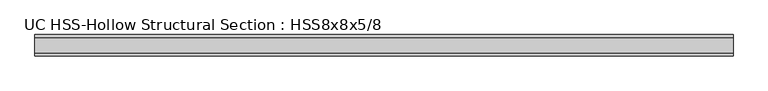
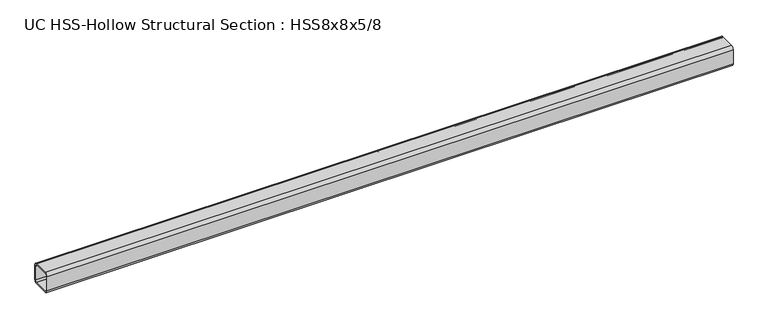
"""IFC4 building model written with IfcOpenShell, lengths in millimetres: beam geometry, UC HSS-Hollow Structural Section : HSS8x8x5/8."""

from ifc_helpers import new_model, si_unit, point, frame, frame_2d, origin, place, context, project, spatial, polyline, circle_curve, trimmed, segment, composite_curve, outline, extrude, source, transform, mapped, element, save


def uc_hss_hollow_structural_section_hss8x8x5_8_4352175e(model_context):
    return source(origin(), model_context, "Body", "SweptSolid", [
        extrude(outline(composite_curve([segment(polyline([(101.6, 72.0852), (101.6, -72.0852)]), True, "CONTINUOUS"), segment(trimmed(circle_curve(frame_2d((72.0852, -72.0852)), 29.5148), [point((101.6, -72.0852))], [point((72.0852, -101.6))], False, "CARTESIAN"), True, "CONTINUOUS"), segment(polyline([(72.0852, -101.6), (-72.0852, -101.6)]), True, "CONTINUOUS"), segment(trimmed(circle_curve(frame_2d((-72.0852, -72.0852)), 29.5148), [point((-72.0852, -101.6))], [point((-101.6, -72.0852))], False, "CARTESIAN"), True, "CONTINUOUS"), segment(polyline([(-101.6, -72.0852), (-101.6, 72.0852)]), True, "CONTINUOUS"), segment(trimmed(circle_curve(frame_2d((-72.0852, 72.0852)), 29.5148), [point((-101.6, 72.0852))], [point((-72.0852, 101.6))], False, "CARTESIAN"), True, "CONTINUOUS"), segment(polyline([(-72.0852, 101.6), (72.0852, 101.6)]), True, "CONTINUOUS"), segment(trimmed(circle_curve(frame_2d((72.0852, 72.0852)), 29.5148), [point((72.0852, 101.6))], [point((101.6, 72.0852))], False, "CARTESIAN"), True, "CONTINUOUS")], self_intersect=False), holes=[composite_curve([segment(trimmed(circle_curve(frame_2d((-72.0852, 72.0852)), 14.7574), [point((-72.0852, 86.8426))], [point((-86.8426, 72.0852))], True, "CARTESIAN"), True, "CONTINUOUS"), segment(polyline([(-86.8426, 72.0852), (-86.8426, -72.0852)]), True, "CONTINUOUS"), segment(trimmed(circle_curve(frame_2d((-72.0852, -72.0852)), 14.7574), [point((-86.8426, -72.0852))], [point((-72.0852, -86.8426))], True, "CARTESIAN"), True, "CONTINUOUS"), segment(polyline([(-72.0852, -86.8426), (72.0852, -86.8426)]), True, "CONTINUOUS"), segment(trimmed(circle_curve(frame_2d((72.0852, -72.0852)), 14.7574), [point((72.0852, -86.8426))], [point((86.8426, -72.0852))], True, "CARTESIAN"), True, "CONTINUOUS"), segment(polyline([(86.8426, -72.0852), (86.8426, 72.0852)]), True, "CONTINUOUS"), segment(trimmed(circle_curve(frame_2d((72.0852, 72.0852)), 14.7574), [point((86.8426, 72.0852))], [point((72.0852, 86.8426))], True, "CARTESIAN"), True, "CONTINUOUS"), segment(polyline([(72.0852, 86.8426), (-72.0852, 86.8426)]), True, "CONTINUOUS")], self_intersect=False)]), frame((-3533.7731946, 0.0, 0.0), z_axis=(1.0, 0.0, 0.0), x_axis=(0.0, 1.0, 0.0)), (0.0, 0.0, 1.0), 6689.6142211),
    ])


if __name__ == "__main__":
    model = new_model("IFC4")
    model_context = context("Model", 3, world=origin())
    ifc_project = project(units=[si_unit("LENGTHUNIT", "METRE", prefix="MILLI")], contexts=[model_context])
    site = spatial("IfcSite", under=ifc_project)
    building = spatial("IfcBuilding", under=site)
    placement = place(None, origin())
    uc_hss_hollow_structural_section_hss8x8x5_8_shape = uc_hss_hollow_structural_section_hss8x8x5_8_4352175e(model_context)
    element("IfcBeam", 1, ObjectType="UC HSS-Hollow Structural Section : HSS8x8x5/8", at=placement, inside=building, context=model_context, shape_type="MappedRepresentation", body=[
        mapped(uc_hss_hollow_structural_section_hss8x8x5_8_shape, transform((0.0, 0.0, 0.0), x_axis=(1.0, 0.0, 0.0), y_axis=(0.0, 1.0, 0.0), z_axis=(0.0, 0.0, 1.0))),
    ])
    save(model, "model.ifc")
